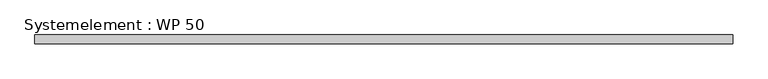
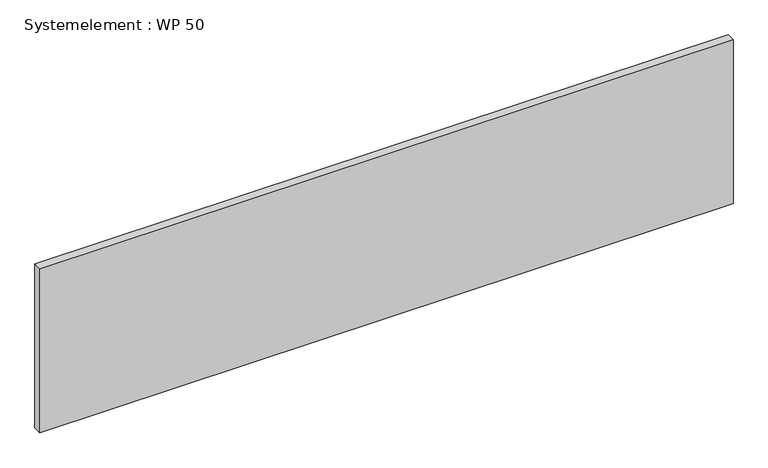
"""IFC4 building model written with IfcOpenShell, lengths in millimetres: plate geometry, Systemelement : WP 50."""

from ifc_helpers import new_model, si_unit, origin, origin_with_axes, place, context, project, spatial, polyline, outline, extrude, source, transform, mapped, element, save


def systemelement_wp_50_fe4e3293(model_context):
    return source(origin(), model_context, "Body", "SweptSolid", [
        extrude(outline(polyline([(2000.0, -50.0), (-2000.0, -50.0), (-2000.0, 0.0), (2000.0, 0.0), (2000.0, -50.0)])), origin_with_axes(), (0.0, 0.0, 1.0), 1000.0),
    ])


if __name__ == "__main__":
    model = new_model("IFC4")
    model_context = context("Model", 3, world=origin())
    ifc_project = project(units=[si_unit("LENGTHUNIT", "METRE", prefix="MILLI")], contexts=[model_context])
    site = spatial("IfcSite", under=ifc_project)
    building = spatial("IfcBuilding", under=site)
    placement = place(None, origin())
    systemelement_wp_50_shape = systemelement_wp_50_fe4e3293(model_context)
    element("IfcPlate", 1, ObjectType="Systemelement : WP 50", at=placement, inside=building, context=model_context, shape_type="MappedRepresentation", body=[
        mapped(systemelement_wp_50_shape, transform((0.0, 0.0, 0.0), x_axis=(1.0, 0.0, 0.0), y_axis=(0.0, 1.0, 0.0), z_axis=(0.0, 0.0, 1.0))),
    ])
    save(model, "model.ifc")
